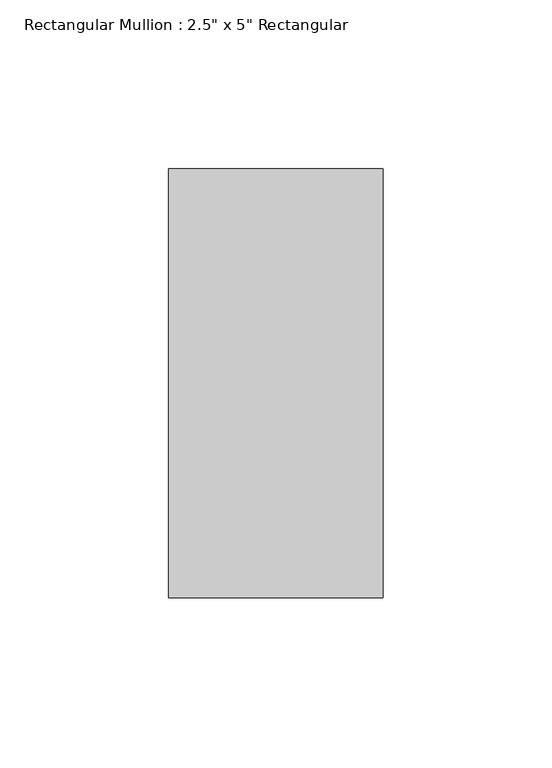
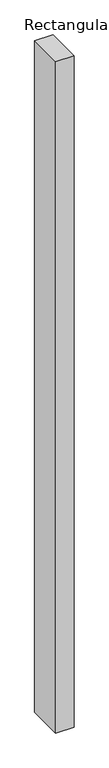
"""IFC4 building model written with IfcOpenShell, lengths in millimetres: member geometry."""

from ifc_helpers import new_model, si_unit, frame, origin, place, context, project, spatial, polyline, outline, extrude, source, transform, mapped, element, save


def member_57980dff(model_context):
    return source(origin(), model_context, "Body", "SweptSolid", [
        extrude(outline(polyline([(31.75, 63.5), (31.75, -63.5), (-31.75, -63.5), (-31.75, 63.5), (31.75, 63.5)])), frame((0.0, 0.0, -2470.15), z_axis=(0.0, 0.0, 1.0), x_axis=(1.0, 0.0, 0.0)), (0.0, 0.0, 1.0), 2470.15),
    ])


if __name__ == "__main__":
    model = new_model("IFC4")
    model_context = context("Model", 3, world=origin())
    ifc_project = project(units=[si_unit("LENGTHUNIT", "METRE", prefix="MILLI")], contexts=[model_context])
    site = spatial("IfcSite", under=ifc_project)
    building = spatial("IfcBuilding", under=site)
    placement = place(None, origin())
    member_shape = member_57980dff(model_context)
    element("IfcMember", 1, ObjectType="Rectangular Mullion : 2.5\" x 5\" Rectangular", at=placement, inside=building, context=model_context, shape_type="MappedRepresentation", body=[
        mapped(member_shape, transform((0.0, 0.0, 0.0), x_axis=(1.0, 0.0, 0.0), y_axis=(0.0, 1.0, 0.0), z_axis=(0.0, 0.0, 1.0))),
    ])
    save(model, "model.ifc")
